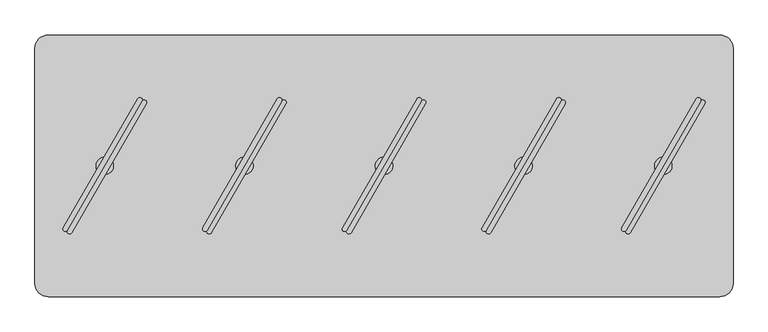
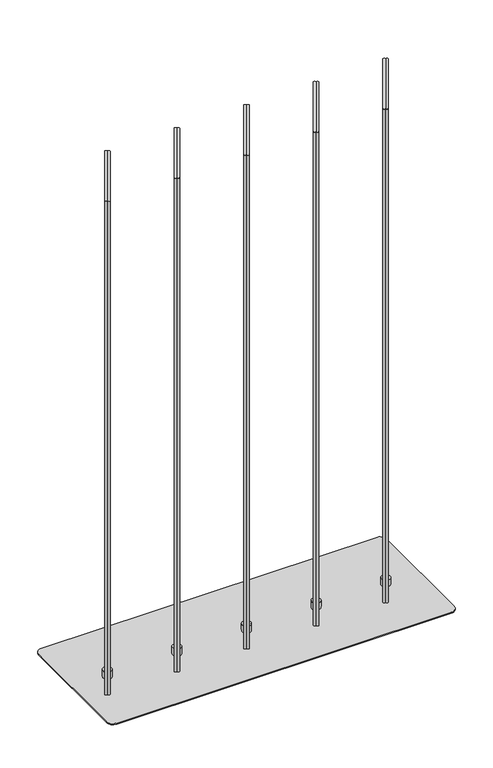
"""IFC4 building model written with IfcOpenShell, lengths in millimetres: furniture geometry."""

from ifc_helpers import new_model, si_unit, point, frame, frame_2d, origin, origin_with_axes, place, context, project, spatial, polyline, circle_curve, trimmed, segment, composite_curve, outline, extrude, source, transform, mapped, element, save
from ifc_brep_helpers import plane_surface, cylinder_surface, advanced_brep


def furniture_a17b53ce(model_context):
    return source(origin(), model_context, "Body", "SolidModel", [
        extrude(outline(composite_curve([segment(polyline([(340.6144903, -160.9427833), (447.2724107, 23.7941539)]), True, "CONTINUOUS"), segment(trimmed(circle_curve(frame_2d((450.3034289, 22.0441947)), 3.4999184), [point((447.2724107, 23.7941539))], [point((453.3344472, 20.2942356))], False, "CARTESIAN"), True, "CONTINUOUS"), segment(polyline([(453.3344472, 20.2942356), (346.6765267, -164.4427017)]), True, "CONTINUOUS"), segment(trimmed(circle_curve(frame_2d((343.6455085, -162.6927425)), 3.4999184), [point((346.6765267, -164.4427017))], [point((340.6144903, -160.9427833))], False, "CARTESIAN"), True, "CONTINUOUS")], self_intersect=False)), frame((0.0, 0.0, 44.4119983), z_axis=(0.0, 0.0, 1.0), x_axis=(1.0, 0.0, 0.0)), (0.0, 0.0, 1.0), 1500.124),
        extrude(outline(composite_curve([segment(trimmed(circle_curve(frame_2d((349.707545, -166.1926609)), 3.4999184), [point((352.7385632, -167.9426201))], [point((346.6765267, -164.4427017))], False, "CARTESIAN"), True, "CONTINUOUS"), segment(polyline([(346.6765267, -164.4427017), (453.3344472, 20.2942356)]), True, "CONTINUOUS"), segment(trimmed(circle_curve(frame_2d((456.3654654, 18.5442764)), 3.4999184), [point((453.3344472, 20.2942356))], [point((459.3964836, 16.7943172))], False, "CARTESIAN"), True, "CONTINUOUS"), segment(polyline([(459.3964836, 16.7943172), (352.7385632, -167.9426201)]), True, "CONTINUOUS")], self_intersect=False)), frame((0.0, 0.0, 44.4119983), z_axis=(0.0, 0.0, 1.0), x_axis=(1.0, 0.0, 0.0)), (0.0, 0.0, 1.0), 1500.124),
        advanced_brep(
        [(399.9992, -84.5709522, 44.4119983), (399.9992, -59.5748171, 44.4119983), (399.9992, -59.5748171, 23.6755986), (399.9992, -84.5709522, 23.6755986), (399.9992, -72.0728847, 44.4119983), (399.9992, -72.0728847, 23.6755986)],
        [
            (0, 1, circle_curve(frame((399.9992, -72.0728847, 44.4119983), z_axis=(0.0, 0.0, -1.0), x_axis=(0.0, 1.0, 0.0)), 12.4980675)),
            (1, 2),
            (2, 3, circle_curve(frame((399.9992, -72.0728847, 23.6755986), z_axis=(0.0, 0.0, 1.0), x_axis=(0.0, 1.0, 0.0)), 12.4980675)),
            (3, 0),
            (4, 1),
            (0, 4),
            (0, 1, circle_curve(frame((399.9992, -72.0728847, 44.4119983), z_axis=(0.0, 0.0, 1.0), x_axis=(0.0, 1.0, 0.0)), 12.4980675)),
            (2, 5),
            (5, 3),
            (2, 3, circle_curve(frame((399.9992, -72.0728847, 23.6755986), z_axis=(0.0, 0.0, -1.0), x_axis=(0.0, 1.0, 0.0)), 12.4980675)),
        ],
        [
            cylinder_surface(frame((399.9992, -72.0728847, 51.9527758), z_axis=(0.0, 0.0, 1.0), x_axis=(0.0, 1.0, 0.0)), 12.4980675),
            plane_surface(frame((399.9992, -72.0728847, 44.4119983), z_axis=(0.0, 0.0, 1.0), x_axis=(0.0, 1.0, 0.0))),
            plane_surface(frame((399.9992, -72.0728847, 23.6755986), z_axis=(0.0, 0.0, -1.0), x_axis=(0.0, 1.0, 0.0))),
        ],
        [
            (0, [[1, 2, 3, 4]]),
            (1, [[5, -1, 6]]),
            (1, [[-6, 7, -5]]),
            (2, [[-3, 8, 9]]),
            (2, [[10, -9, -8]]),
            (0, [[-7, -4, -10, -2]]),
        ],
    ),
        extrude(outline(composite_curve([segment(polyline([(140.6148903, -160.9427833), (247.2728107, 23.7941539)]), True, "CONTINUOUS"), segment(trimmed(circle_curve(frame_2d((250.3038289, 22.0441947)), 3.4999184), [point((247.2728107, 23.7941539))], [point((253.3348472, 20.2942356))], False, "CARTESIAN"), True, "CONTINUOUS"), segment(polyline([(253.3348472, 20.2942356), (146.6769267, -164.4427017)]), True, "CONTINUOUS"), segment(trimmed(circle_curve(frame_2d((143.6459085, -162.6927425)), 3.4999184), [point((146.6769267, -164.4427017))], [point((140.6148903, -160.9427833))], False, "CARTESIAN"), True, "CONTINUOUS")], self_intersect=False)), frame((0.0, 0.0, 44.4119983), z_axis=(0.0, 0.0, 1.0), x_axis=(1.0, 0.0, 0.0)), (0.0, 0.0, 1.0), 1500.124),
        extrude(outline(composite_curve([segment(trimmed(circle_curve(frame_2d((149.707945, -166.1926609)), 3.4999184), [point((152.7389632, -167.9426201))], [point((146.6769267, -164.4427017))], False, "CARTESIAN"), True, "CONTINUOUS"), segment(polyline([(146.6769267, -164.4427017), (253.3348472, 20.2942356)]), True, "CONTINUOUS"), segment(trimmed(circle_curve(frame_2d((256.3658654, 18.5442764)), 3.4999184), [point((253.3348472, 20.2942356))], [point((259.3968836, 16.7943172))], False, "CARTESIAN"), True, "CONTINUOUS"), segment(polyline([(259.3968836, 16.7943172), (152.7389632, -167.9426201)]), True, "CONTINUOUS")], self_intersect=False)), frame((0.0, 0.0, 44.4119983), z_axis=(0.0, 0.0, 1.0), x_axis=(1.0, 0.0, 0.0)), (0.0, 0.0, 1.0), 1500.124),
        advanced_brep(
        [(199.9996, -84.5709522, 44.4119983), (199.9996, -59.5748171, 44.4119983), (199.9996, -59.5748171, 23.6755986), (199.9996, -84.5709522, 23.6755986), (199.9996, -72.0728847, 44.4119983), (199.9996, -72.0728847, 23.6755986)],
        [
            (0, 1, circle_curve(frame((199.9996, -72.0728847, 44.4119983), z_axis=(0.0, 0.0, -1.0), x_axis=(0.0, 1.0, 0.0)), 12.4980675)),
            (1, 2),
            (2, 3, circle_curve(frame((199.9996, -72.0728847, 23.6755986), z_axis=(0.0, 0.0, 1.0), x_axis=(0.0, 1.0, 0.0)), 12.4980675)),
            (3, 0),
            (4, 1),
            (0, 4),
            (0, 1, circle_curve(frame((199.9996, -72.0728847, 44.4119983), z_axis=(0.0, 0.0, 1.0), x_axis=(0.0, 1.0, 0.0)), 12.4980675)),
            (2, 5),
            (5, 3),
            (2, 3, circle_curve(frame((199.9996, -72.0728847, 23.6755986), z_axis=(0.0, 0.0, -1.0), x_axis=(0.0, 1.0, 0.0)), 12.4980675)),
        ],
        [
            cylinder_surface(frame((199.9996, -72.0728847, 51.9527758), z_axis=(0.0, 0.0, 1.0), x_axis=(0.0, 1.0, 0.0)), 12.4980675),
            plane_surface(frame((199.9996, -72.0728847, 44.4119983), z_axis=(0.0, 0.0, 1.0), x_axis=(0.0, 1.0, 0.0))),
            plane_surface(frame((199.9996, -72.0728847, 23.6755986), z_axis=(0.0, 0.0, -1.0), x_axis=(0.0, 1.0, 0.0))),
        ],
        [
            (0, [[1, 2, 3, 4]]),
            (1, [[5, -1, 6]]),
            (1, [[-6, 7, -5]]),
            (2, [[-3, 8, 9]]),
            (2, [[10, -9, -8]]),
            (0, [[-7, -4, -10, -2]]),
        ],
    ),
        extrude(outline(composite_curve([segment(polyline([(-459.3839097, -160.9427833), (-352.7259893, 23.7941539)]), True, "CONTINUOUS"), segment(trimmed(circle_curve(frame_2d((-349.6949711, 22.0441947)), 3.4999184), [point((-352.7259893, 23.7941539))], [point((-346.6639528, 20.2942356))], False, "CARTESIAN"), True, "CONTINUOUS"), segment(polyline([(-346.6639528, 20.2942356), (-453.3218733, -164.4427017)]), True, "CONTINUOUS"), segment(trimmed(circle_curve(frame_2d((-456.3528915, -162.6927425)), 3.4999184), [point((-453.3218733, -164.4427017))], [point((-459.3839097, -160.9427833))], False, "CARTESIAN"), True, "CONTINUOUS")], self_intersect=False)), frame((0.0, 0.0, 44.4119983), z_axis=(0.0, 0.0, 1.0), x_axis=(1.0, 0.0, 0.0)), (0.0, 0.0, 1.0), 1500.124),
        extrude(outline(composite_curve([segment(trimmed(circle_curve(frame_2d((-450.290855, -166.1926609)), 3.4999184), [point((-447.2598368, -167.9426201))], [point((-453.3218733, -164.4427017))], False, "CARTESIAN"), True, "CONTINUOUS"), segment(polyline([(-453.3218733, -164.4427017), (-346.6639528, 20.2942356)]), True, "CONTINUOUS"), segment(trimmed(circle_curve(frame_2d((-343.6329346, 18.5442764)), 3.4999184), [point((-346.6639528, 20.2942356))], [point((-340.6019164, 16.7943172))], False, "CARTESIAN"), True, "CONTINUOUS"), segment(polyline([(-340.6019164, 16.7943172), (-447.2598368, -167.9426201)]), True, "CONTINUOUS")], self_intersect=False)), frame((0.0, 0.0, 44.4119983), z_axis=(0.0, 0.0, 1.0), x_axis=(1.0, 0.0, 0.0)), (0.0, 0.0, 1.0), 1500.124),
        advanced_brep(
        [(-399.9992, -84.5709522, 44.4119983), (-399.9992, -59.5748171, 44.4119983), (-399.9992, -59.5748171, 23.6755986), (-399.9992, -84.5709522, 23.6755986), (-399.9992, -72.0728847, 44.4119983), (-399.9992, -72.0728847, 23.6755986)],
        [
            (0, 1, circle_curve(frame((-399.9992, -72.0728847, 44.4119983), z_axis=(0.0, 0.0, -1.0), x_axis=(0.0, 1.0, 0.0)), 12.4980675)),
            (1, 2),
            (2, 3, circle_curve(frame((-399.9992, -72.0728847, 23.6755986), z_axis=(0.0, 0.0, 1.0), x_axis=(0.0, 1.0, 0.0)), 12.4980675)),
            (3, 0),
            (4, 1),
            (0, 4),
            (0, 1, circle_curve(frame((-399.9992, -72.0728847, 44.4119983), z_axis=(0.0, 0.0, 1.0), x_axis=(0.0, 1.0, 0.0)), 12.4980675)),
            (2, 5),
            (5, 3),
            (2, 3, circle_curve(frame((-399.9992, -72.0728847, 23.6755986), z_axis=(0.0, 0.0, -1.0), x_axis=(0.0, 1.0, 0.0)), 12.4980675)),
        ],
        [
            cylinder_surface(frame((-399.9992, -72.0728847, 51.9527758), z_axis=(0.0, 0.0, 1.0), x_axis=(0.0, 1.0, 0.0)), 12.4980675),
            plane_surface(frame((-399.9992, -72.0728847, 44.4119983), z_axis=(0.0, 0.0, 1.0), x_axis=(0.0, 1.0, 0.0))),
            plane_surface(frame((-399.9992, -72.0728847, 23.6755986), z_axis=(0.0, 0.0, -1.0), x_axis=(0.0, 1.0, 0.0))),
        ],
        [
            (0, [[1, 2, 3, 4]]),
            (1, [[5, -1, 6]]),
            (1, [[-6, 7, -5]]),
            (2, [[-3, 8, 9]]),
            (2, [[10, -9, -8]]),
            (0, [[-7, -4, -10, -2]]),
        ],
    ),
        extrude(outline(composite_curve([segment(polyline([(-59.3847097, -160.9427833), (47.2732107, 23.7941539)]), True, "CONTINUOUS"), segment(trimmed(circle_curve(frame_2d((50.3042289, 22.0441947)), 3.4999184), [point((47.2732107, 23.7941539))], [point((53.3352472, 20.2942356))], False, "CARTESIAN"), True, "CONTINUOUS"), segment(polyline([(53.3352472, 20.2942356), (-53.3226733, -164.4427017)]), True, "CONTINUOUS"), segment(trimmed(circle_curve(frame_2d((-56.3536915, -162.6927425)), 3.4999184), [point((-53.3226733, -164.4427017))], [point((-59.3847097, -160.9427833))], False, "CARTESIAN"), True, "CONTINUOUS")], self_intersect=False)), frame((0.0, 0.0, 44.4119983), z_axis=(0.0, 0.0, 1.0), x_axis=(1.0, 0.0, 0.0)), (0.0, 0.0, 1.0), 1500.124),
        extrude(outline(composite_curve([segment(trimmed(circle_curve(frame_2d((-50.291655, -166.1926609)), 3.4999184), [point((-47.2606368, -167.9426201))], [point((-53.3226733, -164.4427017))], False, "CARTESIAN"), True, "CONTINUOUS"), segment(polyline([(-53.3226733, -164.4427017), (53.3352472, 20.2942356)]), True, "CONTINUOUS"), segment(trimmed(circle_curve(frame_2d((56.3662654, 18.5442764)), 3.4999184), [point((53.3352472, 20.2942356))], [point((59.3972836, 16.7943172))], False, "CARTESIAN"), True, "CONTINUOUS"), segment(polyline([(59.3972836, 16.7943172), (-47.2606368, -167.9426201)]), True, "CONTINUOUS")], self_intersect=False)), frame((0.0, 0.0, 44.4119983), z_axis=(0.0, 0.0, 1.0), x_axis=(1.0, 0.0, 0.0)), (0.0, 0.0, 1.0), 1500.124),
        advanced_brep(
        [(0.0, -84.5709522, 44.4119983), (0.0, -59.5748171, 44.4119983), (0.0, -59.5748171, 23.6755986), (0.0, -84.5709522, 23.6755986), (0.0, -72.0728847, 44.4119983), (0.0, -72.0728847, 23.6755986)],
        [
            (0, 1, circle_curve(frame((0.0, -72.0728847, 44.4119983), z_axis=(0.0, 0.0, -1.0), x_axis=(0.0, 1.0, 0.0)), 12.4980675)),
            (1, 2),
            (2, 3, circle_curve(frame((0.0, -72.0728847, 23.6755986), z_axis=(0.0, 0.0, 1.0), x_axis=(0.0, 1.0, 0.0)), 12.4980675)),
            (3, 0),
            (4, 1),
            (0, 4),
            (0, 1, circle_curve(frame((0.0, -72.0728847, 44.4119983), z_axis=(0.0, 0.0, 1.0), x_axis=(0.0, 1.0, 0.0)), 12.4980675)),
            (2, 5),
            (5, 3),
            (2, 3, circle_curve(frame((0.0, -72.0728847, 23.6755986), z_axis=(0.0, 0.0, -1.0), x_axis=(0.0, 1.0, 0.0)), 12.4980675)),
        ],
        [
            cylinder_surface(frame((0.0, -72.0728847, 51.9527758), z_axis=(0.0, 0.0, 1.0), x_axis=(0.0, 1.0, 0.0)), 12.4980675),
            plane_surface(frame((0.0, -72.0728847, 44.4119983), z_axis=(0.0, 0.0, 1.0), x_axis=(0.0, 1.0, 0.0))),
            plane_surface(frame((0.0, -72.0728847, 23.6755986), z_axis=(0.0, 0.0, -1.0), x_axis=(0.0, 1.0, 0.0))),
        ],
        [
            (0, [[1, 2, 3, 4]]),
            (1, [[5, -1, 6]]),
            (1, [[-6, 7, -5]]),
            (2, [[-3, 8, 9]]),
            (2, [[10, -9, -8]]),
            (0, [[-7, -4, -10, -2]]),
        ],
    ),
        extrude(outline(composite_curve([segment(polyline([(-259.3843097, -160.9427833), (-152.7263893, 23.7941539)]), True, "CONTINUOUS"), segment(trimmed(circle_curve(frame_2d((-149.6953711, 22.0441947)), 3.4999184), [point((-152.7263893, 23.7941539))], [point((-146.6643528, 20.2942356))], False, "CARTESIAN"), True, "CONTINUOUS"), segment(polyline([(-146.6643528, 20.2942356), (-253.3222733, -164.4427017)]), True, "CONTINUOUS"), segment(trimmed(circle_curve(frame_2d((-256.3532915, -162.6927425)), 3.4999184), [point((-253.3222733, -164.4427017))], [point((-259.3843097, -160.9427833))], False, "CARTESIAN"), True, "CONTINUOUS")], self_intersect=False)), frame((0.0, 0.0, 44.4119983), z_axis=(0.0, 0.0, 1.0), x_axis=(1.0, 0.0, 0.0)), (0.0, 0.0, 1.0), 1500.124),
        extrude(outline(composite_curve([segment(trimmed(circle_curve(frame_2d((-250.291255, -166.1926609)), 3.4999184), [point((-247.2602368, -167.9426201))], [point((-253.3222733, -164.4427017))], False, "CARTESIAN"), True, "CONTINUOUS"), segment(polyline([(-253.3222733, -164.4427017), (-146.6643528, 20.2942356)]), True, "CONTINUOUS"), segment(trimmed(circle_curve(frame_2d((-143.6333346, 18.5442764)), 3.4999184), [point((-146.6643528, 20.2942356))], [point((-140.6023164, 16.7943172))], False, "CARTESIAN"), True, "CONTINUOUS"), segment(polyline([(-140.6023164, 16.7943172), (-247.2602368, -167.9426201)]), True, "CONTINUOUS")], self_intersect=False)), frame((0.0, 0.0, 44.4119983), z_axis=(0.0, 0.0, 1.0), x_axis=(1.0, 0.0, 0.0)), (0.0, 0.0, 1.0), 1500.124),
        advanced_brep(
        [(-199.9996, -84.5709522, 44.4119983), (-199.9996, -59.5748171, 44.4119983), (-199.9996, -59.5748171, 23.6755986), (-199.9996, -84.5709522, 23.6755986), (-199.9996, -72.0728847, 44.4119983), (-199.9996, -72.0728847, 23.6755986)],
        [
            (0, 1, circle_curve(frame((-199.9996, -72.0728847, 44.4119983), z_axis=(0.0, 0.0, -1.0), x_axis=(0.0, 1.0, 0.0)), 12.4980675)),
            (1, 2),
            (2, 3, circle_curve(frame((-199.9996, -72.0728847, 23.6755986), z_axis=(0.0, 0.0, 1.0), x_axis=(0.0, 1.0, 0.0)), 12.4980675)),
            (3, 0),
            (4, 1),
            (0, 4),
            (0, 1, circle_curve(frame((-199.9996, -72.0728847, 44.4119983), z_axis=(0.0, 0.0, 1.0), x_axis=(0.0, 1.0, 0.0)), 12.4980675)),
            (2, 5),
            (5, 3),
            (2, 3, circle_curve(frame((-199.9996, -72.0728847, 23.6755986), z_axis=(0.0, 0.0, -1.0), x_axis=(0.0, 1.0, 0.0)), 12.4980675)),
        ],
        [
            cylinder_surface(frame((-199.9996, -72.0728847, 51.9527758), z_axis=(0.0, 0.0, 1.0), x_axis=(0.0, 1.0, 0.0)), 12.4980675),
            plane_surface(frame((-199.9996, -72.0728847, 44.4119983), z_axis=(0.0, 0.0, 1.0), x_axis=(0.0, 1.0, 0.0))),
            plane_surface(frame((-199.9996, -72.0728847, 23.6755986), z_axis=(0.0, 0.0, -1.0), x_axis=(0.0, 1.0, 0.0))),
        ],
        [
            (0, [[1, 2, 3, 4]]),
            (1, [[5, -1, 6]]),
            (1, [[-6, 7, -5]]),
            (2, [[-3, 8, 9]]),
            (2, [[10, -9, -8]]),
            (0, [[-7, -4, -10, -2]]),
        ],
    ),
        extrude(outline(composite_curve([segment(polyline([(-450.7865, 85.2691143), (450.7865, 85.2691143)]), True, "CONTINUOUS"), segment(trimmed(circle_curve(frame_2d((450.7865, 66.2191143)), 19.05), [point((450.7865, 85.2691143))], [point((469.8365, 66.2191143))], False, "CARTESIAN"), True, "CONTINUOUS"), segment(polyline([(469.8365, 66.2191143), (469.8365, -210.3648972)]), True, "CONTINUOUS"), segment(trimmed(circle_curve(frame_2d((450.7865, -210.3648972)), 19.05), [point((469.8365, -210.3648972))], [point((450.7865, -229.4148972))], False, "CARTESIAN"), True, "CONTINUOUS"), segment(polyline([(450.7865, -229.4148972), (-450.7865, -229.4148972)]), True, "CONTINUOUS"), segment(trimmed(circle_curve(frame_2d((-450.7865, -210.3648972)), 19.05), [point((-450.7865, -229.4148972))], [point((-469.8365, -210.3648972))], False, "CARTESIAN"), True, "CONTINUOUS"), segment(polyline([(-469.8365, -210.3648972), (-469.8365, 66.2191143)]), True, "CONTINUOUS"), segment(trimmed(circle_curve(frame_2d((-450.7865, 66.2191143)), 19.05), [point((-469.8365, 66.2191143))], [point((-450.7865, 85.2691143))], False, "CARTESIAN"), True, "CONTINUOUS")], self_intersect=False)), origin_with_axes(), (0.0, 0.0, 1.0), 20.6756),
        extrude(outline(composite_curve([segment(trimmed(circle_curve(frame_2d((480.949, 96.2021153)), 19.05), [point((480.949, 115.2521153))], [point((499.999, 96.2021153))], False, "CARTESIAN"), True, "CONTINUOUS"), segment(polyline([(499.999, 96.2021153), (499.999, -240.3478847)]), True, "CONTINUOUS"), segment(trimmed(circle_curve(frame_2d((480.949, -240.3478847)), 19.05), [point((499.999, -240.3478847))], [point((480.949, -259.3978847))], False, "CARTESIAN"), True, "CONTINUOUS"), segment(polyline([(480.949, -259.3978847), (-480.949, -259.3978847)]), True, "CONTINUOUS"), segment(trimmed(circle_curve(frame_2d((-480.949, -240.3478847)), 19.05), [point((-480.949, -259.3978847))], [point((-499.999, -240.3478847))], False, "CARTESIAN"), True, "CONTINUOUS"), segment(polyline([(-499.999, -240.3478847), (-499.999, 96.2021153)]), True, "CONTINUOUS"), segment(trimmed(circle_curve(frame_2d((-480.949, 96.2021153)), 19.05), [point((-499.999, 96.2021153))], [point((-480.949, 115.2521153))], False, "CARTESIAN"), True, "CONTINUOUS"), segment(polyline([(-480.949, 115.2521153), (480.949, 115.2521153)]), True, "CONTINUOUS")], self_intersect=False)), frame((0.0, 0.0, 20.6756), z_axis=(0.0, 0.0, 1.0), x_axis=(1.0, 0.0, 0.0)), (0.0, 0.0, 1.0), 2.9999986),
    ])


if __name__ == "__main__":
    model = new_model("IFC4")
    model_context = context("Model", 3, world=origin())
    ifc_project = project(units=[si_unit("LENGTHUNIT", "METRE", prefix="MILLI")], contexts=[model_context])
    site = spatial("IfcSite", under=ifc_project)
    building = spatial("IfcBuilding", under=site)
    placement = place(None, origin())
    furniture_shape = furniture_a17b53ce(model_context)
    element("IfcFurniture", 1, at=placement, inside=building, context=model_context, shape_type="MappedRepresentation", body=[
        mapped(furniture_shape, transform((0.0, 0.0, 0.0), x_axis=(1.0, 0.0, 0.0), y_axis=(0.0, 1.0, 0.0), z_axis=(0.0, 0.0, 1.0))),
    ])
    save(model, "model.ifc")
